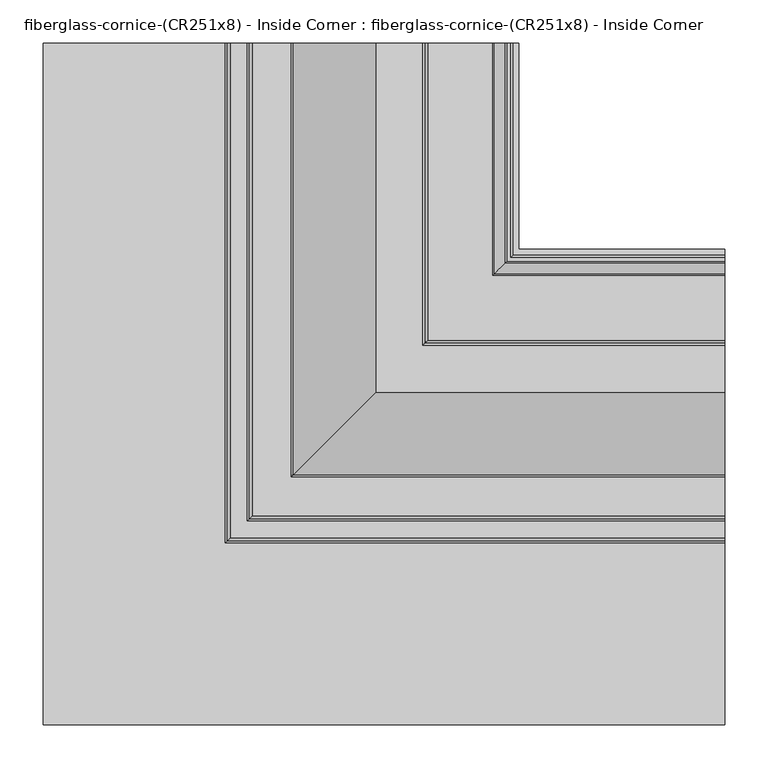
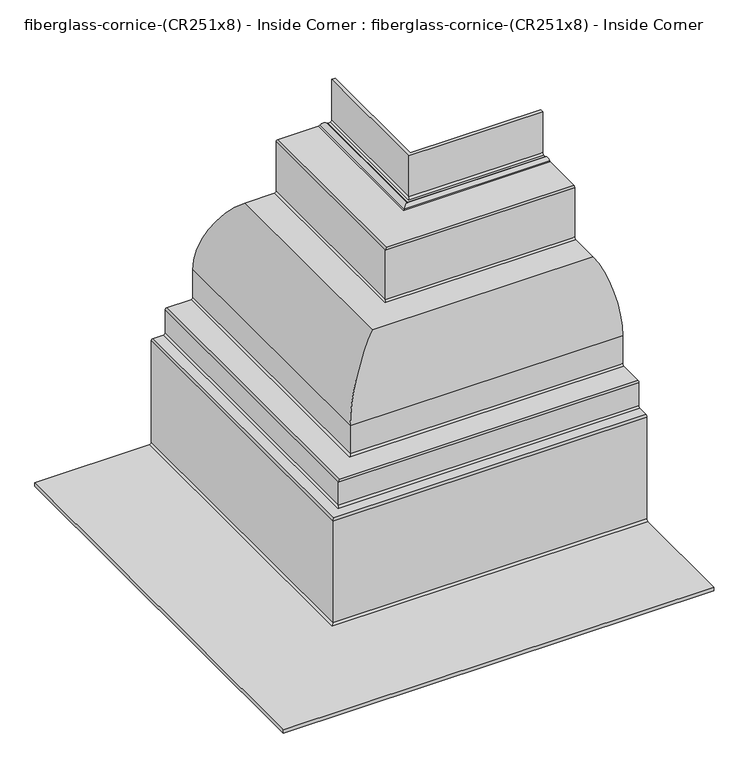
"""IFC4 building model written with IfcOpenShell, lengths in millimetres: furniture geometry, fiberglass-cornice-(CR251x8) - Inside Corner : fiberglass-cornice-(CR251x8) - Inside Corner."""

from ifc_helpers import new_model, si_unit, frame, origin, place, context, project, spatial, polyline, circle_curve, ellipse_curve, source, transform, mapped, element, save
from ifc_brep_helpers import plane_surface, cylinder_surface, revolved_surface, advanced_brep


def fiberglass_cornice_cr251x8_inside_corner_fiberglass_cornice_637b9882(model_context):
    return source(origin(), model_context, "Body", "AdvancedBrep", [
        advanced_brep(
        [(155.5750061, 888.603125, 330.1999904), (155.5750061, 888.603125, 244.4749904), (152.4000061, 888.603125, 241.2999904), (138.8492674, 888.603125, 241.2999904), (136.0996368, 888.603125, 242.8874904), (130.6003755, 888.603125, 242.8874904), (127.8507448, 888.603125, 241.2999904), (57.1500061, 888.603125, 241.2999904), (53.9750061, 888.603125, 238.1249904), (53.9750061, 888.603125, 142.8749904), (50.8000061, 888.603125, 139.6999904), (-9.5249939, 888.603125, 139.6999904), (-98.4249939, 888.603125, 50.7999904), (-98.4249939, 888.603125, -9.5250096), (-101.5999939, 888.603125, -12.7000096), (-146.0499939, 888.603125, -12.7000096), (-149.2249939, 888.603125, -15.8750096), (-149.2249939, 888.603125, -60.3250096), (-152.3999939, 888.603125, -63.5000096), (-171.4499939, 888.603125, -63.5000096), (-174.6249939, 888.603125, -66.6750096), (-174.6249939, 888.603125, -263.5250096), (-177.7999939, 888.603125, -266.7000096), (-393.6999938, 888.603125, -266.7000096), (-393.6999938, 888.603125, -260.3500096), (-184.1499939, 888.603125, -260.3500096), (-180.9749939, 888.603125, -257.1750096), (-180.9749939, 888.603125, -60.3250096), (-177.7999939, 888.603125, -57.1500096), (-158.7499939, 888.603125, -57.1500096), (-155.5749939, 888.603125, -53.9750096), (-155.5749939, 888.603125, -9.5250096), (-152.3999939, 888.603125, -6.3500096), (-107.9499939, 888.603125, -6.3500096), (-104.7749939, 888.603125, -3.1750096), (-104.7749939, 888.603125, 50.7999904), (-9.5249939, 888.603125, 146.0499904), (44.4500061, 888.603125, 146.0499904), (47.6250061, 888.603125, 149.2249904), (47.6250061, 888.603125, 244.4749904), (50.8000061, 888.603125, 247.6499904), (124.9497457, 888.603125, 247.6499904), (127.0498108, 888.603125, 248.4437404), (139.6502014, 888.603125, 248.4437404), (141.7502665, 888.603125, 247.6499904), (146.0500061, 888.603125, 247.6499904), (149.2250061, 888.603125, 250.8249904), (149.2250061, 888.603125, 330.1999904), (393.6999938, 650.478125, 330.1999904), (393.6999938, 644.128125, 330.1999904), (393.6999938, 644.128125, 250.8249904), (393.6999938, 640.953125, 247.6499904), (393.6999938, 636.6533854, 247.6499904), (393.6999938, 634.5533203, 248.4437404), (393.6999938, 621.9529297, 248.4437404), (393.6999938, 619.8528646, 247.6499904), (393.6999938, 545.703125, 247.6499904), (393.6999938, 542.528125, 244.4749904), (393.6999938, 542.528125, 149.2249904), (393.6999938, 539.353125, 146.0499904), (393.6999938, 485.378125, 146.0499904), (393.6999938, 390.128125, 50.7999904), (393.6999938, 390.128125, -3.1750096), (393.6999938, 386.953125, -6.3500096), (393.6999938, 342.503125, -6.3500096), (393.6999938, 339.328125, -9.5250096), (393.6999938, 339.328125, -53.9750096), (393.6999938, 336.153125, -57.1500096), (393.6999938, 317.103125, -57.1500096), (393.6999938, 313.928125, -60.3250096), (393.6999938, 313.928125, -257.1750096), (393.6999938, 310.753125, -260.3500096), (393.6999938, 101.203125, -260.3500096), (393.6999938, 101.203125, -266.7000096), (393.6999938, 317.103125, -266.7000096), (393.6999938, 320.278125, -263.5250096), (393.6999938, 320.278125, -66.6750096), (393.6999938, 323.453125, -63.5000096), (393.6999938, 342.503125, -63.5000096), (393.6999938, 345.678125, -60.3250096), (393.6999938, 345.678125, -15.8750096), (393.6999938, 348.853125, -12.7000096), (393.6999938, 393.303125, -12.7000096), (393.6999938, 396.478125, -9.5250096), (393.6999938, 396.478125, 50.7999904), (393.6999938, 485.378125, 139.6999904), (393.6999938, 545.703125, 139.6999904), (393.6999938, 548.878125, 142.8749904), (393.6999938, 548.878125, 238.1249904), (393.6999938, 552.053125, 241.2999904), (393.6999938, 622.7538637, 241.2999904), (393.6999938, 625.5034943, 242.8874904), (393.6999938, 631.0027556, 242.8874904), (393.6999938, 633.7523863, 241.2999904), (393.6999938, 647.303125, 241.2999904), (393.6999938, 650.478125, 244.4749904), (155.5750061, 650.478125, 330.1999904), (155.5750061, 650.478125, 244.4749904), (152.4000061, 647.303125, 241.2999904), (138.8492674, 633.7523863, 241.2999904), (136.0996368, 631.0027556, 242.8874904), (130.6003755, 625.5034943, 242.8874904), (127.8507448, 622.7538637, 241.2999904), (57.1500061, 552.053125, 241.2999904), (53.9750061, 548.878125, 238.1249904), (53.9750061, 548.878125, 142.8749904), (50.8000061, 545.703125, 139.6999904), (-9.5249939, 485.378125, 139.6999904), (-98.4249939, 396.478125, 50.7999904), (-98.4249939, 396.478125, -9.5250096), (-101.5999939, 393.303125, -12.7000096), (-146.0499939, 348.853125, -12.7000096), (-149.2249939, 345.678125, -15.8750096), (-149.2249939, 345.678125, -60.3250096), (-152.3999939, 342.503125, -63.5000096), (-171.4499939, 323.453125, -63.5000096), (-174.6249939, 320.278125, -66.6750096), (-174.6249939, 320.278125, -263.5250096), (-177.7999939, 317.103125, -266.7000096), (-393.6999938, 101.203125, -266.7000096), (-393.6999938, 101.203125, -260.3500096), (-184.1499939, 310.753125, -260.3500096), (-180.9749939, 313.928125, -257.1750096), (-180.9749939, 313.928125, -60.3250096), (-177.7999939, 317.103125, -57.1500096), (-158.7499939, 336.153125, -57.1500096), (-155.5749939, 339.328125, -53.9750096), (-155.5749939, 339.328125, -9.5250096), (-152.3999939, 342.503125, -6.3500096), (-107.9499939, 386.953125, -6.3500096), (-104.7749939, 390.128125, -3.1750096), (-104.7749939, 390.128125, 50.7999904), (-9.5249939, 485.378125, 146.0499904), (44.4500061, 539.353125, 146.0499904), (47.6250061, 542.528125, 149.2249904), (47.6250061, 542.528125, 244.4749904), (50.8000061, 545.703125, 247.6499904), (124.9497457, 619.8528646, 247.6499904), (127.0498108, 621.9529297, 248.4437404), (139.6502014, 634.5533203, 248.4437404), (141.7502665, 636.6533854, 247.6499904), (146.0500061, 640.953125, 247.6499904), (149.2250061, 644.128125, 250.8249904), (149.2250061, 644.128125, 330.1999904)],
        [
            (0, 1),
            (1, 2, circle_curve(frame((152.4000061, 888.603125, 244.4749904), z_axis=(0.0, 1.0, 0.0), x_axis=(1.0, 0.0, 0.0)), 3.175)),
            (2, 3),
            (3, 4, circle_curve(frame((138.8492674, 888.603125, 244.4749904), z_axis=(0.0, 1.0, 0.0), x_axis=(1.0, 0.0, 0.0)), 3.175)),
            (4, 5, circle_curve(frame((133.3500061, 888.603125, 241.2999904), z_axis=(0.0, -1.0, 0.0), x_axis=(1.0, 0.0, 0.0)), 3.175)),
            (5, 6, circle_curve(frame((127.8507448, 888.603125, 244.4749904), z_axis=(0.0, 1.0, 0.0), x_axis=(1.0, 0.0, 0.0)), 3.175)),
            (6, 7),
            (7, 8, circle_curve(frame((57.1500061, 888.603125, 238.1249904), z_axis=(0.0, -1.0, 0.0), x_axis=(1.0, 0.0, 0.0)), 3.175)),
            (8, 9),
            (9, 10, circle_curve(frame((50.8000061, 888.603125, 142.8749904), z_axis=(0.0, 1.0, 0.0), x_axis=(1.0, 0.0, 0.0)), 3.175)),
            (10, 11),
            (11, 12, circle_curve(frame((-9.5249939, 888.603125, 50.7999904), z_axis=(0.0, -1.0, 0.0), x_axis=(1.0, 0.0, 0.0)), 88.9)),
            (12, 13),
            (13, 14, circle_curve(frame((-101.5999939, 888.603125, -9.5250096), z_axis=(0.0, 1.0, 0.0), x_axis=(1.0, 0.0, 0.0)), 3.175)),
            (14, 15),
            (15, 16, circle_curve(frame((-146.0499939, 888.603125, -15.8750096), z_axis=(0.0, -1.0, 0.0), x_axis=(1.0, 0.0, 0.0)), 3.175)),
            (16, 17),
            (17, 18, circle_curve(frame((-152.3999939, 888.603125, -60.3250096), z_axis=(0.0, 1.0, 0.0), x_axis=(1.0, 0.0, 0.0)), 3.175)),
            (18, 19),
            (19, 20, circle_curve(frame((-171.4499939, 888.603125, -66.6750096), z_axis=(0.0, -1.0, 0.0), x_axis=(1.0, 0.0, 0.0)), 3.175)),
            (20, 21),
            (21, 22, circle_curve(frame((-177.7999939, 888.603125, -263.5250096), z_axis=(0.0, 1.0, 0.0), x_axis=(1.0, 0.0, 0.0)), 3.175)),
            (22, 23),
            (23, 24),
            (24, 25),
            (25, 26, circle_curve(frame((-184.1499939, 888.603125, -257.1750096), z_axis=(0.0, -1.0, 0.0), x_axis=(1.0, 0.0, 0.0)), 3.175)),
            (26, 27),
            (27, 28, circle_curve(frame((-177.7999939, 888.603125, -60.3250096), z_axis=(0.0, 1.0, 0.0), x_axis=(1.0, 0.0, 0.0)), 3.175)),
            (28, 29),
            (29, 30, circle_curve(frame((-158.7499939, 888.603125, -53.9750096), z_axis=(0.0, -1.0, 0.0), x_axis=(1.0, 0.0, 0.0)), 3.175)),
            (30, 31),
            (31, 32, circle_curve(frame((-152.3999939, 888.603125, -9.5250096), z_axis=(0.0, 1.0, 0.0), x_axis=(1.0, 0.0, 0.0)), 3.175)),
            (32, 33),
            (33, 34, circle_curve(frame((-107.9499939, 888.603125, -3.1750096), z_axis=(0.0, -1.0, 0.0), x_axis=(1.0, 0.0, 0.0)), 3.175)),
            (34, 35),
            (35, 36, circle_curve(frame((-9.5249939, 888.603125, 50.7999904), z_axis=(0.0, 1.0, 0.0), x_axis=(1.0, 0.0, 0.0)), 95.25)),
            (36, 37),
            (37, 38, circle_curve(frame((44.4500061, 888.603125, 149.2249904), z_axis=(0.0, -1.0, 0.0), x_axis=(1.0, 0.0, 0.0)), 3.175)),
            (38, 39),
            (39, 40, circle_curve(frame((50.8000061, 888.603125, 244.4749904), z_axis=(0.0, 1.0, 0.0), x_axis=(1.0, 0.0, 0.0)), 3.175)),
            (40, 41),
            (41, 42, circle_curve(frame((124.9497457, 888.603125, 250.8249904), z_axis=(0.0, -1.0, 0.0), x_axis=(1.0, 0.0, 0.0)), 3.175)),
            (42, 43, circle_curve(frame((133.3500061, 888.603125, 241.2999904), z_axis=(0.0, 1.0, 0.0), x_axis=(1.0, 0.0, 0.0)), 9.525)),
            (43, 44, circle_curve(frame((141.7502665, 888.603125, 250.8249904), z_axis=(0.0, -1.0, 0.0), x_axis=(1.0, 0.0, 0.0)), 3.175)),
            (44, 45),
            (45, 46, circle_curve(frame((146.0500061, 888.603125, 250.8249904), z_axis=(0.0, -1.0, 0.0), x_axis=(1.0, 0.0, 0.0)), 3.175)),
            (46, 47),
            (47, 0),
            (48, 49),
            (49, 50),
            (50, 51, circle_curve(frame((393.6999938, 640.953125, 250.8249904), z_axis=(-1.0, 0.0, 0.0), x_axis=(0.0, 1.0, 0.0)), 3.175)),
            (51, 52),
            (52, 53, circle_curve(frame((393.6999938, 636.6533854, 250.8249904), z_axis=(-1.0, 0.0, 0.0), x_axis=(0.0, 1.0, 0.0)), 3.175)),
            (53, 54, circle_curve(frame((393.6999938, 628.253125, 241.2999904), z_axis=(1.0, 0.0, 0.0), x_axis=(0.0, 1.0, 0.0)), 9.525)),
            (54, 55, circle_curve(frame((393.6999938, 619.8528646, 250.8249904), z_axis=(-1.0, 0.0, 0.0), x_axis=(0.0, 1.0, 0.0)), 3.175)),
            (55, 56),
            (56, 57, circle_curve(frame((393.6999938, 545.703125, 244.4749904), z_axis=(1.0, 0.0, 0.0), x_axis=(0.0, 1.0, 0.0)), 3.175)),
            (57, 58),
            (58, 59, circle_curve(frame((393.6999938, 539.353125, 149.2249904), z_axis=(-1.0, 0.0, 0.0), x_axis=(0.0, 1.0, 0.0)), 3.175)),
            (59, 60),
            (60, 61, circle_curve(frame((393.6999938, 485.378125, 50.7999904), z_axis=(1.0, 0.0, 0.0), x_axis=(0.0, 1.0, 0.0)), 95.25)),
            (61, 62),
            (62, 63, circle_curve(frame((393.6999938, 386.953125, -3.1750096), z_axis=(-1.0, 0.0, 0.0), x_axis=(0.0, 1.0, 0.0)), 3.175)),
            (63, 64),
            (64, 65, circle_curve(frame((393.6999938, 342.503125, -9.5250096), z_axis=(1.0, 0.0, 0.0), x_axis=(0.0, 1.0, 0.0)), 3.175)),
            (65, 66),
            (66, 67, circle_curve(frame((393.6999938, 336.153125, -53.9750096), z_axis=(-1.0, 0.0, 0.0), x_axis=(0.0, 1.0, 0.0)), 3.175)),
            (67, 68),
            (68, 69, circle_curve(frame((393.6999938, 317.103125, -60.3250096), z_axis=(1.0, 0.0, 0.0), x_axis=(0.0, 1.0, 0.0)), 3.175)),
            (69, 70),
            (70, 71, circle_curve(frame((393.6999938, 310.753125, -257.1750096), z_axis=(-1.0, 0.0, 0.0), x_axis=(0.0, 1.0, 0.0)), 3.175)),
            (71, 72),
            (72, 73),
            (73, 74),
            (74, 75, circle_curve(frame((393.6999938, 317.103125, -263.5250096), z_axis=(1.0, 0.0, 0.0), x_axis=(0.0, 1.0, 0.0)), 3.175)),
            (75, 76),
            (76, 77, circle_curve(frame((393.6999938, 323.453125, -66.6750096), z_axis=(-1.0, 0.0, 0.0), x_axis=(0.0, 1.0, 0.0)), 3.175)),
            (77, 78),
            (78, 79, circle_curve(frame((393.6999938, 342.503125, -60.3250096), z_axis=(1.0, 0.0, 0.0), x_axis=(0.0, 1.0, 0.0)), 3.175)),
            (79, 80),
            (80, 81, circle_curve(frame((393.6999938, 348.853125, -15.8750096), z_axis=(-1.0, 0.0, 0.0), x_axis=(0.0, 1.0, 0.0)), 3.175)),
            (81, 82),
            (82, 83, circle_curve(frame((393.6999938, 393.303125, -9.5250096), z_axis=(1.0, 0.0, 0.0), x_axis=(0.0, 1.0, 0.0)), 3.175)),
            (83, 84),
            (84, 85, circle_curve(frame((393.6999938, 485.378125, 50.7999904), z_axis=(-1.0, 0.0, 0.0), x_axis=(0.0, 1.0, 0.0)), 88.9)),
            (85, 86),
            (86, 87, circle_curve(frame((393.6999938, 545.703125, 142.8749904), z_axis=(1.0, 0.0, 0.0), x_axis=(0.0, 1.0, 0.0)), 3.175)),
            (87, 88),
            (88, 89, circle_curve(frame((393.6999938, 552.053125, 238.1249904), z_axis=(-1.0, 0.0, 0.0), x_axis=(0.0, 1.0, 0.0)), 3.175)),
            (89, 90),
            (90, 91, circle_curve(frame((393.6999938, 622.7538637, 244.4749904), z_axis=(1.0, 0.0, 0.0), x_axis=(0.0, 1.0, 0.0)), 3.175)),
            (91, 92, circle_curve(frame((393.6999938, 628.253125, 241.2999904), z_axis=(-1.0, 0.0, 0.0), x_axis=(0.0, 1.0, 0.0)), 3.175)),
            (92, 93, circle_curve(frame((393.6999938, 633.7523863, 244.4749904), z_axis=(1.0, 0.0, 0.0), x_axis=(0.0, 1.0, 0.0)), 3.175)),
            (93, 94),
            (94, 95, circle_curve(frame((393.6999938, 647.303125, 244.4749904), z_axis=(1.0, 0.0, 0.0), x_axis=(0.0, 1.0, 0.0)), 3.175)),
            (95, 48),
            (0, 96),
            (96, 97),
            (97, 1),
            (97, 98, ellipse_curve(frame((152.4000061, 647.303125, 244.4749904), z_axis=(-0.7071067811865475, 0.7071067811865475, 0.0), x_axis=(0.7071067811865474, 0.7071067811865476, 0.0)), 4.4901281, 3.175)),
            (98, 2),
            (98, 94),
            (93, 99),
            (99, 3),
            (99, 100, ellipse_curve(frame((138.8492674, 633.7523863, 244.4749904), z_axis=(-0.7071067811865475, 0.7071067811865475, 0.0), x_axis=(0.7071067811865474, 0.7071067811865476, 0.0)), 4.4901281, 3.175)),
            (100, 4),
            (100, 101, ellipse_curve(frame((133.3500061, 628.253125, 241.2999904), z_axis=(0.7071067811865475, -0.7071067811865475, 0.0), x_axis=(-0.7071067811865474, -0.7071067811865476, 0.0)), 4.4901281, 3.175)),
            (101, 5),
            (101, 102, ellipse_curve(frame((127.8507448, 622.7538637, 244.4749904), z_axis=(-0.7071067811865475, 0.7071067811865475, 0.0), x_axis=(0.7071067811865474, 0.7071067811865476, 0.0)), 4.4901281, 3.175)),
            (102, 6),
            (102, 90),
            (89, 103),
            (103, 7),
            (103, 104, ellipse_curve(frame((57.1500061, 552.053125, 238.1249904), z_axis=(0.7071067811865475, -0.7071067811865475, 0.0), x_axis=(-0.7071067811865474, -0.7071067811865476, 0.0)), 4.4901281, 3.175)),
            (104, 8),
            (104, 105),
            (105, 9),
            (105, 106, ellipse_curve(frame((50.8000061, 545.703125, 142.8749904), z_axis=(-0.7071067811865475, 0.7071067811865475, 0.0), x_axis=(0.7071067811865474, 0.7071067811865476, 0.0)), 4.4901281, 3.175)),
            (106, 10),
            (106, 86),
            (85, 107),
            (107, 11),
            (107, 108, ellipse_curve(frame((-9.5249939, 485.378125, 50.7999904), z_axis=(0.7071067811865475, -0.7071067811865475, 0.0), x_axis=(-0.7071067811865474, -0.7071067811865476, 0.0)), 125.7235857, 88.9)),
            (108, 12),
            (108, 109),
            (109, 13),
            (109, 110, ellipse_curve(frame((-101.5999939, 393.303125, -9.5250096), z_axis=(-0.7071067811865475, 0.7071067811865475, 0.0), x_axis=(0.7071067811865474, 0.7071067811865476, 0.0)), 4.4901281, 3.175)),
            (110, 14),
            (110, 82),
            (81, 111),
            (111, 15),
            (111, 112, ellipse_curve(frame((-146.0499939, 348.853125, -15.8750096), z_axis=(0.7071067811865475, -0.7071067811865475, 0.0), x_axis=(-0.7071067811865474, -0.7071067811865476, 0.0)), 4.4901281, 3.175)),
            (112, 16),
            (112, 113),
            (113, 17),
            (113, 114, ellipse_curve(frame((-152.3999939, 342.503125, -60.3250096), z_axis=(-0.7071067811865475, 0.7071067811865475, 0.0), x_axis=(0.7071067811865474, 0.7071067811865476, 0.0)), 4.4901281, 3.175)),
            (114, 18),
            (114, 78),
            (77, 115),
            (115, 19),
            (115, 116, ellipse_curve(frame((-171.4499939, 323.453125, -66.6750096), z_axis=(0.7071067811865475, -0.7071067811865475, 0.0), x_axis=(-0.7071067811865474, -0.7071067811865476, 0.0)), 4.4901281, 3.175)),
            (116, 20),
            (116, 117),
            (117, 21),
            (117, 118, ellipse_curve(frame((-177.7999939, 317.103125, -263.5250096), z_axis=(-0.7071067811865475, 0.7071067811865475, 0.0), x_axis=(0.7071067811865474, 0.7071067811865476, 0.0)), 4.4901281, 3.175)),
            (118, 22),
            (118, 74),
            (73, 119),
            (119, 23),
            (119, 120),
            (120, 24),
            (120, 72),
            (71, 121),
            (121, 25),
            (121, 122, ellipse_curve(frame((-184.1499939, 310.753125, -257.1750096), z_axis=(0.7071067811865475, -0.7071067811865475, 0.0), x_axis=(-0.7071067811865474, -0.7071067811865476, 0.0)), 4.4901281, 3.175)),
            (122, 26),
            (122, 123),
            (123, 27),
            (123, 124, ellipse_curve(frame((-177.7999939, 317.103125, -60.3250096), z_axis=(-0.7071067811865475, 0.7071067811865475, 0.0), x_axis=(0.7071067811865474, 0.7071067811865476, 0.0)), 4.4901281, 3.175)),
            (124, 28),
            (124, 68),
            (67, 125),
            (125, 29),
            (125, 126, ellipse_curve(frame((-158.7499939, 336.153125, -53.9750096), z_axis=(0.7071067811865475, -0.7071067811865475, 0.0), x_axis=(-0.7071067811865474, -0.7071067811865476, 0.0)), 4.4901281, 3.175)),
            (126, 30),
            (126, 127),
            (127, 31),
            (127, 128, ellipse_curve(frame((-152.3999939, 342.503125, -9.5250096), z_axis=(-0.7071067811865475, 0.7071067811865475, 0.0), x_axis=(0.7071067811865474, 0.7071067811865476, 0.0)), 4.4901281, 3.175)),
            (128, 32),
            (128, 64),
            (63, 129),
            (129, 33),
            (129, 130, ellipse_curve(frame((-107.9499939, 386.953125, -3.1750096), z_axis=(0.7071067811865475, -0.7071067811865475, 0.0), x_axis=(-0.7071067811865474, -0.7071067811865476, 0.0)), 4.4901281, 3.175)),
            (130, 34),
            (130, 131),
            (131, 35),
            (131, 132, ellipse_curve(frame((-9.5249939, 485.378125, 50.7999904), z_axis=(-0.7071067811865475, 0.7071067811865475, 0.0), x_axis=(0.7071067811865474, 0.7071067811865476, 0.0)), 134.7038418, 95.25)),
            (132, 36),
            (132, 60),
            (59, 133),
            (133, 37),
            (133, 134, ellipse_curve(frame((44.4500061, 539.353125, 149.2249904), z_axis=(0.7071067811865475, -0.7071067811865475, 0.0), x_axis=(-0.7071067811865474, -0.7071067811865476, 0.0)), 4.4901281, 3.175)),
            (134, 38),
            (134, 135),
            (135, 39),
            (135, 136, ellipse_curve(frame((50.8000061, 545.703125, 244.4749904), z_axis=(-0.7071067811865475, 0.7071067811865475, 0.0), x_axis=(0.7071067811865474, 0.7071067811865476, 0.0)), 4.4901281, 3.175)),
            (136, 40),
            (136, 56),
            (55, 137),
            (137, 41),
            (137, 138, ellipse_curve(frame((124.9497457, 619.8528646, 250.8249904), z_axis=(0.7071067811865475, -0.7071067811865475, 0.0), x_axis=(-0.7071067811865474, -0.7071067811865476, 0.0)), 4.4901281, 3.175)),
            (138, 42),
            (138, 139, ellipse_curve(frame((133.3500061, 628.253125, 241.2999904), z_axis=(-0.7071067811865475, 0.7071067811865475, 0.0), x_axis=(0.7071067811865474, 0.7071067811865476, 0.0)), 13.4703842, 9.525)),
            (139, 43),
            (139, 140, ellipse_curve(frame((141.7502665, 636.6533854, 250.8249904), z_axis=(0.7071067811865475, -0.7071067811865475, 0.0), x_axis=(-0.7071067811865474, -0.7071067811865476, 0.0)), 4.4901281, 3.175)),
            (140, 44),
            (140, 52),
            (51, 141),
            (141, 45),
            (141, 142, ellipse_curve(frame((146.0500061, 640.953125, 250.8249904), z_axis=(0.7071067811865475, -0.7071067811865475, 0.0), x_axis=(-0.7071067811865474, -0.7071067811865476, 0.0)), 4.4901281, 3.175)),
            (142, 46),
            (142, 143),
            (143, 47),
            (143, 49),
            (48, 96),
            (95, 97),
            (92, 100),
            (91, 101),
            (88, 104),
            (87, 105),
            (84, 108),
            (83, 109),
            (80, 112),
            (79, 113),
            (76, 116),
            (75, 117),
            (70, 122),
            (69, 123),
            (66, 126),
            (65, 127),
            (62, 130),
            (61, 131),
            (58, 134),
            (57, 135),
            (54, 138),
            (53, 139),
            (50, 142),
        ],
        [
            plane_surface(frame((-393.6999938, 888.603125, 330.1999904), z_axis=(0.0, 1.0, 0.0), x_axis=(0.0, 0.0, 1.0))),
            plane_surface(frame((393.6999938, 101.203125, 330.1999904), z_axis=(1.0, 0.0, 0.0), x_axis=(0.0, 0.0, 1.0))),
            plane_surface(frame((155.5750061, 888.603125, 330.1999904), z_axis=(1.0, 0.0, 0.0), x_axis=(0.0, -1.0, 0.0))),
            cylinder_surface(frame((152.4000061, 888.603125, 244.4749904), z_axis=(0.0, 1.0, 0.0), x_axis=(1.0, 0.0, 0.0)), 3.175),
            plane_surface(frame((152.4000061, 888.603125, 241.2999904), z_axis=(0.0, 0.0, -1.0), x_axis=(0.0, -1.0, 0.0))),
            cylinder_surface(frame((138.8492674, 888.603125, 244.4749904), z_axis=(0.0, 1.0, 0.0), x_axis=(1.0, 0.0, 0.0)), 3.175),
            revolved_surface(polyline([(136.5250061, 625.0781249720937, 241.2999904), (136.5250061, 888.603125, 241.2999904)]), (133.3500061, 888.603125, 241.2999904), (0.0, -1.0, 0.0)),
            cylinder_surface(frame((127.8507448, 888.603125, 244.4749904), z_axis=(0.0, 1.0, 0.0), x_axis=(1.0, 0.0, 0.0)), 3.175),
            plane_surface(frame((127.8507448, 888.603125, 241.2999904), z_axis=(0.0, 0.0, -1.0), x_axis=(0.0, -1.0, 0.0))),
            revolved_surface(polyline([(60.325006099999996, 548.8781249720937, 238.1249904), (60.325006099999996, 888.603125, 238.1249904)]), (57.1500061, 888.603125, 238.1249904), (0.0, -1.0, 0.0)),
            plane_surface(frame((53.9750061, 888.603125, 238.1249904), z_axis=(1.0, 0.0, 0.0), x_axis=(0.0, -1.0, 0.0))),
            cylinder_surface(frame((50.8000061, 888.603125, 142.8749904), z_axis=(0.0, 1.0, 0.0), x_axis=(1.0, 0.0, 0.0)), 3.175),
            plane_surface(frame((50.8000061, 888.603125, 139.6999904), z_axis=(0.0, 0.0, -1.0), x_axis=(0.0, -1.0, 0.0))),
            revolved_surface(polyline([(79.37500610000001, 396.4781249964419, 50.7999904), (79.37500610000001, 888.603125, 50.7999904)]), (-9.5249939, 888.603125, 50.7999904), (0.0, -1.0, 0.0)),
            plane_surface(frame((-98.4249939, 888.603125, 50.7999904), z_axis=(1.0, 0.0, 0.0), x_axis=(0.0, -1.0, 0.0))),
            cylinder_surface(frame((-101.5999939, 888.603125, -9.5250096), z_axis=(0.0, 1.0, 0.0), x_axis=(1.0, 0.0, 0.0)), 3.175),
            plane_surface(frame((-101.5999939, 888.603125, -12.7000096), z_axis=(0.0, 0.0, -1.0), x_axis=(0.0, -1.0, 0.0))),
            revolved_surface(polyline([(-142.8749939, 345.67812497209366, -15.8750096), (-142.8749939, 888.603125, -15.8750096)]), (-146.0499939, 888.603125, -15.8750096), (0.0, -1.0, 0.0)),
            plane_surface(frame((-149.2249939, 888.603125, -15.8750096), z_axis=(1.0, 0.0, 0.0), x_axis=(0.0, -1.0, 0.0))),
            cylinder_surface(frame((-152.3999939, 888.603125, -60.3250096), z_axis=(0.0, 1.0, 0.0), x_axis=(1.0, 0.0, 0.0)), 3.175),
            plane_surface(frame((-152.3999939, 888.603125, -63.5000096), z_axis=(0.0, 0.0, -1.0), x_axis=(0.0, -1.0, 0.0))),
            revolved_surface(polyline([(-168.2749939, 320.2781249720937, -66.6750096), (-168.2749939, 888.603125, -66.6750096)]), (-171.4499939, 888.603125, -66.6750096), (0.0, -1.0, 0.0)),
            plane_surface(frame((-174.6249939, 888.603125, -66.6750096), z_axis=(1.0, 0.0, 0.0), x_axis=(0.0, -1.0, 0.0))),
            cylinder_surface(frame((-177.7999939, 888.603125, -263.5250096), z_axis=(0.0, 1.0, 0.0), x_axis=(1.0, 0.0, 0.0)), 3.175),
            plane_surface(frame((-177.7999939, 888.603125, -266.7000096), z_axis=(0.0, 0.0, -1.0), x_axis=(0.0, -1.0, 0.0))),
            plane_surface(frame((-393.6999938, 888.603125, -266.7000096), z_axis=(-1.0, 0.0, 0.0), x_axis=(0.0, -1.0, 0.0))),
            plane_surface(frame((-393.6999938, 888.603125, -260.3500096), z_axis=(0.0, 0.0, 1.0), x_axis=(0.0, -1.0, 0.0))),
            revolved_surface(polyline([(-180.9749939, 307.57812497209375, -257.1750096), (-180.9749939, 888.603125, -257.1750096)]), (-184.1499939, 888.603125, -257.1750096), (0.0, -1.0, 0.0)),
            plane_surface(frame((-180.9749939, 888.603125, -257.1750096), z_axis=(-1.0, 0.0, 0.0), x_axis=(0.0, -1.0, 0.0))),
            cylinder_surface(frame((-177.7999939, 888.603125, -60.3250096), z_axis=(0.0, 1.0, 0.0), x_axis=(1.0, 0.0, 0.0)), 3.175),
            plane_surface(frame((-177.7999939, 888.603125, -57.1500096), z_axis=(0.0, 0.0, 1.0), x_axis=(0.0, -1.0, 0.0))),
            revolved_surface(polyline([(-155.57499389999998, 332.9781249720936, -53.9750096), (-155.57499389999998, 888.603125, -53.9750096)]), (-158.7499939, 888.603125, -53.9750096), (0.0, -1.0, 0.0)),
            plane_surface(frame((-155.5749939, 888.603125, -53.9750096), z_axis=(-1.0, 0.0, 0.0), x_axis=(0.0, -1.0, 0.0))),
            cylinder_surface(frame((-152.3999939, 888.603125, -9.5250096), z_axis=(0.0, 1.0, 0.0), x_axis=(1.0, 0.0, 0.0)), 3.175),
            plane_surface(frame((-152.3999939, 888.603125, -6.3500096), z_axis=(0.0, 0.0, 1.0), x_axis=(0.0, -1.0, 0.0))),
            revolved_surface(polyline([(-104.7749939, 383.77812497209374, -3.1750096), (-104.7749939, 888.603125, -3.1750096)]), (-107.9499939, 888.603125, -3.1750096), (0.0, -1.0, 0.0)),
            plane_surface(frame((-104.7749939, 888.603125, -3.1750096), z_axis=(-1.0, 0.0, 0.0), x_axis=(0.0, -1.0, 0.0))),
            cylinder_surface(frame((-9.5249939, 888.603125, 50.7999904), z_axis=(0.0, 1.0, 0.0), x_axis=(1.0, 0.0, 0.0)), 95.25),
            plane_surface(frame((-9.5249939, 888.603125, 146.0499904), z_axis=(0.0, 0.0, 1.0), x_axis=(0.0, -1.0, 0.0))),
            revolved_surface(polyline([(47.6250061, 536.1781249720937, 149.2249904), (47.6250061, 888.603125, 149.2249904)]), (44.4500061, 888.603125, 149.2249904), (0.0, -1.0, 0.0)),
            plane_surface(frame((47.6250061, 888.603125, 149.2249904), z_axis=(-1.0, 0.0, 0.0), x_axis=(0.0, -1.0, 0.0))),
            cylinder_surface(frame((50.8000061, 888.603125, 244.4749904), z_axis=(0.0, 1.0, 0.0), x_axis=(1.0, 0.0, 0.0)), 3.175),
            plane_surface(frame((50.8000061, 888.603125, 247.6499904), z_axis=(0.0, 0.0, 1.0), x_axis=(0.0, -1.0, 0.0))),
            revolved_surface(polyline([(128.1247457, 616.6778645720938, 250.8249904), (128.1247457, 888.603125, 250.8249904)]), (124.9497457, 888.603125, 250.8249904), (0.0, -1.0, 0.0)),
            cylinder_surface(frame((133.3500061, 888.603125, 241.2999904), z_axis=(0.0, 1.0, 0.0), x_axis=(1.0, 0.0, 0.0)), 9.525),
            revolved_surface(polyline([(144.92526650000002, 633.4783853720937, 250.8249904), (144.92526650000002, 888.603125, 250.8249904)]), (141.7502665, 888.603125, 250.8249904), (0.0, -1.0, 0.0)),
            plane_surface(frame((141.7502665, 888.603125, 247.6499904), z_axis=(0.0, 0.0, 1.0), x_axis=(0.0, -1.0, 0.0))),
            revolved_surface(polyline([(149.2250061, 637.7781249720938, 250.8249904), (149.2250061, 888.603125, 250.8249904)]), (146.0500061, 888.603125, 250.8249904), (0.0, -1.0, 0.0)),
            plane_surface(frame((149.2250061, 888.603125, 250.8249904), z_axis=(-1.0, 0.0, 0.0), x_axis=(0.0, -1.0, 0.0))),
            plane_surface(frame((149.2250061, 888.603125, 330.1999904), z_axis=(0.0, 0.0, 1.0), x_axis=(0.0, -1.0, 0.0))),
            plane_surface(frame((155.5750061, 650.478125, 330.1999904), z_axis=(0.0, 1.0, 0.0), x_axis=(1.0, 0.0, 0.0))),
            cylinder_surface(frame((-393.6999938, 647.303125, 244.4749904), z_axis=(-1.0, 0.0, 0.0), x_axis=(0.0, 1.0, 0.0)), 3.175),
            cylinder_surface(frame((-393.6999938, 633.7523863, 244.4749904), z_axis=(-1.0, 0.0, 0.0), x_axis=(0.0, 1.0, 0.0)), 3.175),
            revolved_surface(polyline([(393.6999938, 631.4281249999999, 241.2999904), (130.17500607209365, 631.4281249999999, 241.2999904)]), (-393.6999938, 628.253125, 241.2999904), (1.0, 0.0, 0.0)),
            cylinder_surface(frame((-393.6999938, 622.7538637, 244.4749904), z_axis=(-1.0, 0.0, 0.0), x_axis=(0.0, 1.0, 0.0)), 3.175),
            revolved_surface(polyline([(393.6999938, 555.228125, 238.1249904), (53.97500607209372, 555.228125, 238.1249904)]), (-393.6999938, 552.053125, 238.1249904), (1.0, 0.0, 0.0)),
            plane_surface(frame((53.9750061, 548.878125, 238.1249904), z_axis=(0.0, 1.0, 0.0), x_axis=(1.0, 0.0, 0.0))),
            cylinder_surface(frame((-393.6999938, 545.703125, 142.8749904), z_axis=(-1.0, 0.0, 0.0), x_axis=(0.0, 1.0, 0.0)), 3.175),
            revolved_surface(polyline([(393.6999938, 574.278125, 50.7999904), (-98.42499390355806, 574.278125, 50.7999904)]), (-393.6999938, 485.378125, 50.7999904), (1.0, 0.0, 0.0)),
            plane_surface(frame((-98.4249939, 396.478125, 50.7999904), z_axis=(0.0, 1.0, 0.0), x_axis=(1.0, 0.0, 0.0))),
            cylinder_surface(frame((-393.6999938, 393.303125, -9.5250096), z_axis=(-1.0, 0.0, 0.0), x_axis=(0.0, 1.0, 0.0)), 3.175),
            revolved_surface(polyline([(393.6999938, 352.028125, -15.8750096), (-149.22499392790627, 352.028125, -15.8750096)]), (-393.6999938, 348.853125, -15.8750096), (1.0, 0.0, 0.0)),
            plane_surface(frame((-149.2249939, 345.678125, -15.8750096), z_axis=(0.0, 1.0, 0.0), x_axis=(1.0, 0.0, 0.0))),
            cylinder_surface(frame((-393.6999938, 342.503125, -60.3250096), z_axis=(-1.0, 0.0, 0.0), x_axis=(0.0, 1.0, 0.0)), 3.175),
            revolved_surface(polyline([(393.6999938, 326.628125, -66.6750096), (-174.62499392790627, 326.628125, -66.6750096)]), (-393.6999938, 323.453125, -66.6750096), (1.0, 0.0, 0.0)),
            plane_surface(frame((-174.6249939, 320.278125, -66.6750096), z_axis=(0.0, 1.0, 0.0), x_axis=(1.0, 0.0, 0.0))),
            cylinder_surface(frame((-393.6999938, 317.103125, -263.5250096), z_axis=(-1.0, 0.0, 0.0), x_axis=(0.0, 1.0, 0.0)), 3.175),
            plane_surface(frame((-393.6999938, 101.203125, -266.7000096), z_axis=(0.0, -1.0, 0.0), x_axis=(1.0, 0.0, 0.0))),
            revolved_surface(polyline([(393.6999938, 313.928125, -257.1750096), (-187.32499392790626, 313.928125, -257.1750096)]), (-393.6999938, 310.753125, -257.1750096), (1.0, 0.0, 0.0)),
            plane_surface(frame((-180.9749939, 313.928125, -257.1750096), z_axis=(0.0, -1.0, 0.0), x_axis=(1.0, 0.0, 0.0))),
            cylinder_surface(frame((-393.6999938, 317.103125, -60.3250096), z_axis=(-1.0, 0.0, 0.0), x_axis=(0.0, 1.0, 0.0)), 3.175),
            revolved_surface(polyline([(393.6999938, 339.328125, -53.9750096), (-161.92499392790626, 339.328125, -53.9750096)]), (-393.6999938, 336.153125, -53.9750096), (1.0, 0.0, 0.0)),
            plane_surface(frame((-155.5749939, 339.328125, -53.9750096), z_axis=(0.0, -1.0, 0.0), x_axis=(1.0, 0.0, 0.0))),
            cylinder_surface(frame((-393.6999938, 342.503125, -9.5250096), z_axis=(-1.0, 0.0, 0.0), x_axis=(0.0, 1.0, 0.0)), 3.175),
            revolved_surface(polyline([(393.6999938, 390.128125, -3.1750096), (-111.12499392790625, 390.128125, -3.1750096)]), (-393.6999938, 386.953125, -3.1750096), (1.0, 0.0, 0.0)),
            plane_surface(frame((-104.7749939, 390.128125, -3.1750096), z_axis=(0.0, -1.0, 0.0), x_axis=(1.0, 0.0, 0.0))),
            cylinder_surface(frame((-393.6999938, 485.378125, 50.7999904), z_axis=(-1.0, 0.0, 0.0), x_axis=(0.0, 1.0, 0.0)), 95.25),
            revolved_surface(polyline([(393.6999938, 542.5281249999999, 149.2249904), (41.27500607209373, 542.5281249999999, 149.2249904)]), (-393.6999938, 539.353125, 149.2249904), (1.0, 0.0, 0.0)),
            plane_surface(frame((47.6250061, 542.528125, 149.2249904), z_axis=(0.0, -1.0, 0.0), x_axis=(1.0, 0.0, 0.0))),
            cylinder_surface(frame((-393.6999938, 545.703125, 244.4749904), z_axis=(-1.0, 0.0, 0.0), x_axis=(0.0, 1.0, 0.0)), 3.175),
            revolved_surface(polyline([(393.6999938, 623.0278645999999, 250.8249904), (121.77474567209367, 623.0278645999999, 250.8249904)]), (-393.6999938, 619.8528646, 250.8249904), (1.0, 0.0, 0.0)),
            cylinder_surface(frame((-393.6999938, 628.253125, 241.2999904), z_axis=(-1.0, 0.0, 0.0), x_axis=(0.0, 1.0, 0.0)), 9.525),
            revolved_surface(polyline([(393.6999938, 639.8283854, 250.8249904), (138.57526647209374, 639.8283854, 250.8249904)]), (-393.6999938, 636.6533854, 250.8249904), (1.0, 0.0, 0.0)),
            revolved_surface(polyline([(393.6999938, 644.128125, 250.8249904), (142.8750060720937, 644.128125, 250.8249904)]), (-393.6999938, 640.953125, 250.8249904), (1.0, 0.0, 0.0)),
            plane_surface(frame((149.2250061, 644.128125, 250.8249904), z_axis=(0.0, -1.0, 0.0), x_axis=(1.0, 0.0, 0.0))),
        ],
        [
            (0, [[1, 2, 3, 4, 5, 6, 7, 8, 9, 10, 11, 12, 13, 14, 15, 16, 17, 18, 19, 20, 21, 22, 23, 24, 25, 26, 27, 28, 29, 30, 31, 32, 33, 34, 35, 36, 37, 38, 39, 40, 41, 42, 43, 44, 45, 46, 47, 48]]),
            (1, [[49, 50, 51, 52, 53, 54, 55, 56, 57, 58, 59, 60, 61, 62, 63, 64, 65, 66, 67, 68, 69, 70, 71, 72, 73, 74, 75, 76, 77, 78, 79, 80, 81, 82, 83, 84, 85, 86, 87, 88, 89, 90, 91, 92, 93, 94, 95, 96]]),
            (2, [[-1, 97, 98, 99]]),
            (3, [[-2, -99, 100, 101]]),
            (4, [[-3, -101, 102, -94, 103, 104]]),
            (5, [[-4, -104, 105, 106]]),
            (6, [[-5, -106, 107, 108]]),
            (7, [[-6, -108, 109, 110]]),
            (8, [[-7, -110, 111, -90, 112, 113]]),
            (9, [[-8, -113, 114, 115]]),
            (10, [[-9, -115, 116, 117]]),
            (11, [[-10, -117, 118, 119]]),
            (12, [[-11, -119, 120, -86, 121, 122]]),
            (13, [[-12, -122, 123, 124]]),
            (14, [[-13, -124, 125, 126]]),
            (15, [[-14, -126, 127, 128]]),
            (16, [[-15, -128, 129, -82, 130, 131]]),
            (17, [[-16, -131, 132, 133]]),
            (18, [[-17, -133, 134, 135]]),
            (19, [[-18, -135, 136, 137]]),
            (20, [[-19, -137, 138, -78, 139, 140]]),
            (21, [[-20, -140, 141, 142]]),
            (22, [[-21, -142, 143, 144]]),
            (23, [[-22, -144, 145, 146]]),
            (24, [[-23, -146, 147, -74, 148, 149]]),
            (25, [[-24, -149, 150, 151]]),
            (26, [[-25, -151, 152, -72, 153, 154]]),
            (27, [[-26, -154, 155, 156]]),
            (28, [[-27, -156, 157, 158]]),
            (29, [[-28, -158, 159, 160]]),
            (30, [[-29, -160, 161, -68, 162, 163]]),
            (31, [[-30, -163, 164, 165]]),
            (32, [[-31, -165, 166, 167]]),
            (33, [[-32, -167, 168, 169]]),
            (34, [[-33, -169, 170, -64, 171, 172]]),
            (35, [[-34, -172, 173, 174]]),
            (36, [[-35, -174, 175, 176]]),
            (37, [[-36, -176, 177, 178]]),
            (38, [[-37, -178, 179, -60, 180, 181]]),
            (39, [[-38, -181, 182, 183]]),
            (40, [[-39, -183, 184, 185]]),
            (41, [[-40, -185, 186, 187]]),
            (42, [[-41, -187, 188, -56, 189, 190]]),
            (43, [[-42, -190, 191, 192]]),
            (44, [[-43, -192, 193, 194]]),
            (45, [[-44, -194, 195, 196]]),
            (46, [[-45, -196, 197, -52, 198, 199]]),
            (47, [[-46, -199, 200, 201]]),
            (48, [[-47, -201, 202, 203]]),
            (49, [[-48, -203, 204, -49, 205, -97]]),
            (50, [[-98, -205, -96, 206]]),
            (51, [[-100, -206, -95, -102]]),
            (52, [[-105, -103, -93, 207]]),
            (53, [[-107, -207, -92, 208]]),
            (54, [[-109, -208, -91, -111]]),
            (55, [[-114, -112, -89, 209]]),
            (56, [[-116, -209, -88, 210]]),
            (57, [[-118, -210, -87, -120]]),
            (58, [[-123, -121, -85, 211]]),
            (59, [[-125, -211, -84, 212]]),
            (60, [[-127, -212, -83, -129]]),
            (61, [[-132, -130, -81, 213]]),
            (62, [[-134, -213, -80, 214]]),
            (63, [[-136, -214, -79, -138]]),
            (64, [[-141, -139, -77, 215]]),
            (65, [[-143, -215, -76, 216]]),
            (66, [[-145, -216, -75, -147]]),
            (67, [[-150, -148, -73, -152]]),
            (68, [[-155, -153, -71, 217]]),
            (69, [[-157, -217, -70, 218]]),
            (70, [[-159, -218, -69, -161]]),
            (71, [[-164, -162, -67, 219]]),
            (72, [[-166, -219, -66, 220]]),
            (73, [[-168, -220, -65, -170]]),
            (74, [[-173, -171, -63, 221]]),
            (75, [[-175, -221, -62, 222]]),
            (76, [[-177, -222, -61, -179]]),
            (77, [[-182, -180, -59, 223]]),
            (78, [[-184, -223, -58, 224]]),
            (79, [[-186, -224, -57, -188]]),
            (80, [[-191, -189, -55, 225]]),
            (81, [[-193, -225, -54, 226]]),
            (82, [[-195, -226, -53, -197]]),
            (83, [[-200, -198, -51, 227]]),
            (84, [[-202, -227, -50, -204]]),
        ],
    ),
    ])


if __name__ == "__main__":
    model = new_model("IFC4")
    model_context = context("Model", 3, world=origin())
    ifc_project = project(units=[si_unit("LENGTHUNIT", "METRE", prefix="MILLI")], contexts=[model_context])
    site = spatial("IfcSite", under=ifc_project)
    building = spatial("IfcBuilding", under=site)
    placement = place(None, origin())
    fiberglass_cornice_cr251x8_inside_corner_fiberglass_cornice_shape = fiberglass_cornice_cr251x8_inside_corner_fiberglass_cornice_637b9882(model_context)
    element("IfcFurniture", 1, ObjectType="fiberglass-cornice-(CR251x8) - Inside Corner : fiberglass-cornice-(CR251x8) - Inside Corner", at=placement, inside=building, context=model_context, shape_type="MappedRepresentation", body=[
        mapped(fiberglass_cornice_cr251x8_inside_corner_fiberglass_cornice_shape, transform((0.0, 0.0, 0.0), x_axis=(1.0, 0.0, 0.0), y_axis=(0.0, 1.0, 0.0), z_axis=(0.0, 0.0, 1.0))),
    ])
    save(model, "model.ifc")
